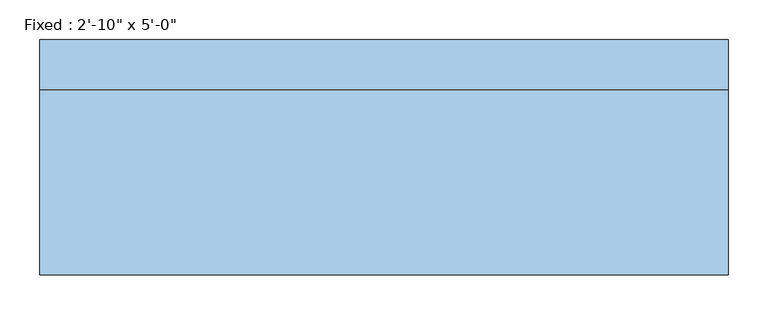
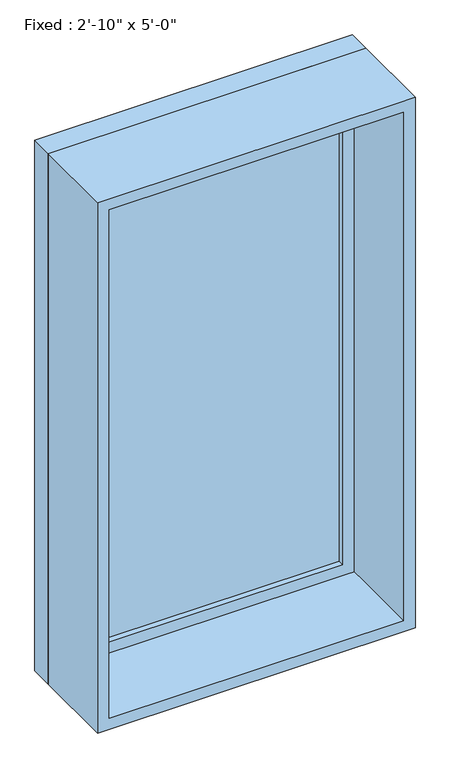
"""IFC4 building model written with IfcOpenShell, lengths in millimetres: window geometry."""

from ifc_helpers import new_model, si_unit, frame, origin, place, context, project, spatial, polyline, outline, extrude, source, transform, mapped, element, save


def window_c95ed2e9(model_context):
    return source(origin(), model_context, "Body", "SweptSolid", [
        extrude(outline(polyline([(330.2, 100.0125), (-406.4, 100.0125), (-406.4, 112.7125), (330.2, 112.7125), (330.2, 100.0125)])), frame((0.0, 0.0, 927.1), z_axis=(0.0, 0.0, 1.0), x_axis=(1.0, 0.0, 0.0)), (0.0, 0.0, 1.0), 1397.0),
        extrude(outline(polyline([(2368.55, -450.85), (882.65, -450.85), (882.65, 374.65), (2368.55, 374.65), (2368.55, -450.85)]), holes=[polyline([(2324.1, -406.4), (2324.1, 330.2), (927.1, 330.2), (927.1, -406.4), (2324.1, -406.4)])]), frame((0.0, 84.1375, 0.0), z_axis=(0.0, 1.0, 0.0), x_axis=(0.0, 0.0, 1.0)), (0.0, 0.0, 1.0), 44.45),
        extrude(outline(polyline([(2387.6, -469.9), (863.6, -469.9), (863.6, 393.7), (2387.6, 393.7), (2387.6, -469.9)]), holes=[polyline([(2355.85, -438.15), (2355.85, 361.95), (895.35, 361.95), (895.35, -438.15), (2355.85, -438.15)])]), frame((0.0, -147.6375, 0.0), z_axis=(0.0, 1.0, 0.0), x_axis=(0.0, 0.0, 1.0)), (0.0, 0.0, 1.0), 231.775),
        extrude(outline(polyline([(2387.6, 393.7), (2387.6, -469.9), (863.6, -469.9), (863.6, 393.7), (2387.6, 393.7)]), holes=[polyline([(2368.55, 374.65), (882.65, 374.65), (882.65, -450.85), (2368.55, -450.85), (2368.55, 374.65)])]), frame((0.0, 84.1375, 0.0), z_axis=(0.0, 1.0, 0.0), x_axis=(0.0, 0.0, 1.0)), (0.0, 0.0, 1.0), 63.5),
    ])


if __name__ == "__main__":
    model = new_model("IFC4")
    model_context = context("Model", 3, world=origin())
    ifc_project = project(units=[si_unit("LENGTHUNIT", "METRE", prefix="MILLI")], contexts=[model_context])
    site = spatial("IfcSite", under=ifc_project)
    building = spatial("IfcBuilding", under=site)
    placement = place(None, origin())
    window_shape = window_c95ed2e9(model_context)
    element("IfcWindow", 1, ObjectType="Fixed : 2'-10\" x 5'-0\"", at=placement, inside=building, context=model_context, shape_type="MappedRepresentation", body=[
        mapped(window_shape, transform((0.0, 0.0, 0.0), x_axis=(1.0, 0.0, 0.0), y_axis=(0.0, 1.0, 0.0), z_axis=(0.0, 0.0, 1.0))),
    ])
    save(model, "model.ifc")
